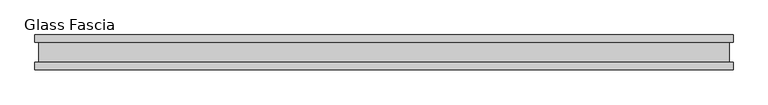
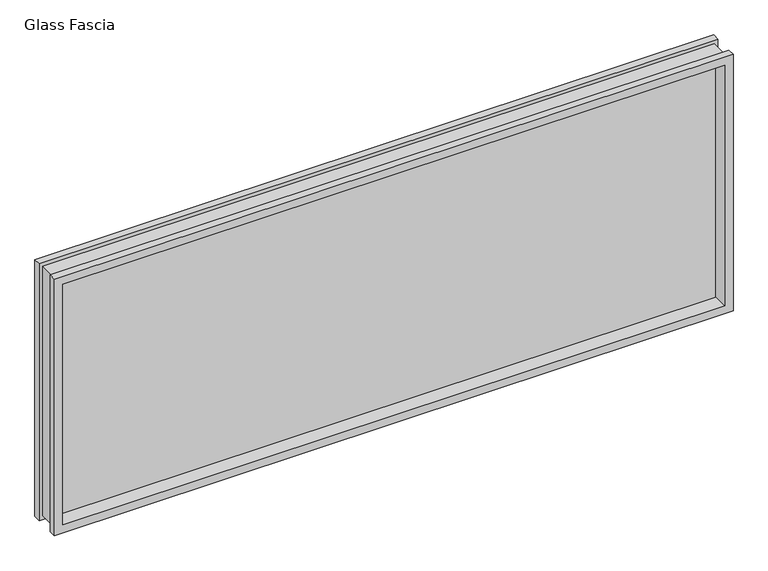
"""IFC4 building model written with IfcOpenShell, lengths in millimetres: proxy geometry, Glass Fascia."""

from ifc_helpers import new_model, si_unit, frame, origin, place, context, project, spatial, polyline, outline, extrude, faceted_brep, source, transform, mapped, element, save


def glass_fascia_0422e7cf(model_context):
    return source(origin(), model_context, "Body", "SolidModel", [
        faceted_brep([(991.4046, -5.0827449, 793.1305243), (991.4046, 5.0827449, 793.1305243), (991.4046, 5.0827449, 17.6374757), (991.4046, -5.0827449, 17.6374757), (1005.8670757, -28.8801202, 807.593), (1005.8670757, -50.0558594, 807.593), (1005.8670757, -50.0558594, 3.175), (1005.8670757, -28.8801202, 3.175), (995.0420758, 28.2698798, 796.7680001), (995.0420758, -28.8801202, 796.7680001), (995.0420758, -28.8801202, 13.9999999), (995.0420758, 28.2698798, 13.9999999), (1005.8670757, 50.0558594, 807.593), (1005.8670757, 28.2698798, 807.593), (1005.8670757, 28.2698798, 3.175), (1005.8670757, 50.0558594, 3.175), (-991.4046, 5.0827449, 17.6374757), (-991.4046, -5.0827449, 17.6374757), (-1005.8670757, -50.0558594, 3.175), (-1005.8670757, -28.8801202, 3.175), (-995.0420758, -28.8801202, 13.9999999), (-995.0420758, 28.2698798, 13.9999999), (-1005.8670757, 28.2698798, 3.175), (-1005.8670757, 50.0558594, 3.175), (-991.4046, 5.0827449, 793.1305243), (-991.4046, -5.0827449, 793.1305243), (-1005.8670757, -50.0558594, 807.593), (-1005.8670757, -28.8801202, 807.593), (-995.0420758, -28.8801202, 796.7680001), (-995.0420758, 28.2698798, 796.7680001), (-1005.8670757, 28.2698798, 807.593), (-1005.8670757, 50.0558594, 807.593), (980.9144089, 50.0558594, 782.6403332), (-980.9144089, 50.0558594, 782.6403332), (-980.9144089, 50.0558594, 28.1276668), (980.9144089, 50.0558594, 28.1276668), (980.9144089, 5.0827449, 28.1276668), (-980.9144089, 5.0827449, 28.1276668), (-980.9144089, 5.0827449, 782.6403332), (980.9144089, 5.0827449, 782.6403332), (980.9144089, -5.0827449, 782.6403332), (-980.9144089, -5.0827449, 782.6403332), (-980.9144089, -5.0827449, 28.1276668), (980.9144089, -5.0827449, 28.1276668), (980.9144089, -50.0558594, 28.1276668), (-980.9144089, -50.0558594, 28.1276668), (-980.9144089, -50.0558594, 782.6403332), (980.9144089, -50.0558594, 782.6403332)], [[[0, 1, 2, 3]], [[4, 5, 6, 7]], [[8, 9, 10, 11]], [[12, 13, 14, 15]], [[3, 2, 16, 17]], [[7, 6, 18, 19]], [[11, 10, 20, 21]], [[15, 14, 22, 23]], [[17, 16, 24, 25]], [[19, 18, 26, 27]], [[21, 20, 28, 29]], [[23, 22, 30, 31]], [[15, 23, 31, 12], [32, 33, 34, 35]], [[1, 24, 16, 2], [36, 37, 38, 39]], [[25, 24, 1, 0]], [[3, 17, 25, 0], [40, 41, 42, 43]], [[5, 26, 18, 6], [44, 45, 46, 47]], [[27, 26, 5, 4]], [[7, 19, 27, 4], [9, 28, 20, 10]], [[29, 28, 9, 8]], [[13, 30, 22, 14], [11, 21, 29, 8]], [[31, 30, 13, 12]], [[39, 32, 35, 36]], [[47, 40, 43, 44]], [[36, 35, 34, 37]], [[44, 43, 42, 45]], [[37, 34, 33, 38]], [[45, 42, 41, 46]], [[38, 33, 32, 39]], [[46, 41, 40, 47]]]),
        extrude(outline(polyline([(991.4046, 2.9765625), (991.4046, -2.9765625), (-991.4046, -2.9765625), (-991.4046, 2.9765625), (991.4046, 2.9765625)])), frame((0.0, 0.0, 17.6374757), z_axis=(0.0, 0.0, 1.0), x_axis=(1.0, 0.0, 0.0)), (0.0, 0.0, 1.0), 775.4930485),
    ])


if __name__ == "__main__":
    model = new_model("IFC4")
    model_context = context("Model", 3, world=origin())
    ifc_project = project(units=[si_unit("LENGTHUNIT", "METRE", prefix="MILLI")], contexts=[model_context])
    site = spatial("IfcSite", under=ifc_project)
    building = spatial("IfcBuilding", under=site)
    placement = place(None, origin())
    glass_fascia_shape = glass_fascia_0422e7cf(model_context)
    element("IfcBuildingElementProxy", 1, Name="Glass Fascia", ObjectType="Glass Fascia", at=placement, inside=building, context=model_context, shape_type="MappedRepresentation", body=[
        mapped(glass_fascia_shape, transform((0.0, 0.0, 0.0), x_axis=(1.0, 0.0, 0.0), y_axis=(0.0, 1.0, 0.0), z_axis=(0.0, 0.0, 1.0))),
    ])
    save(model, "model.ifc")
